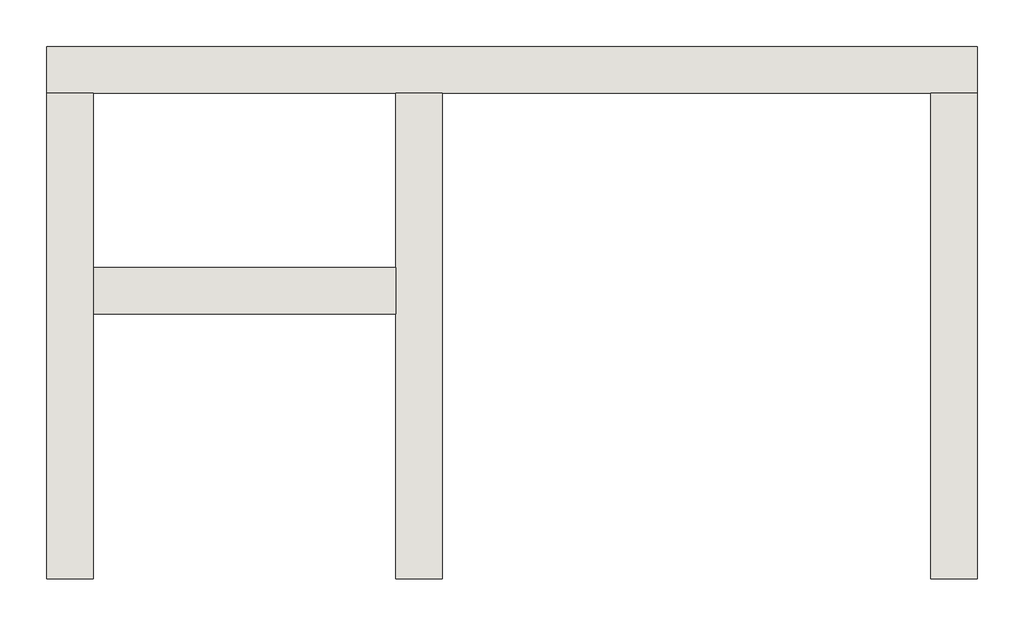
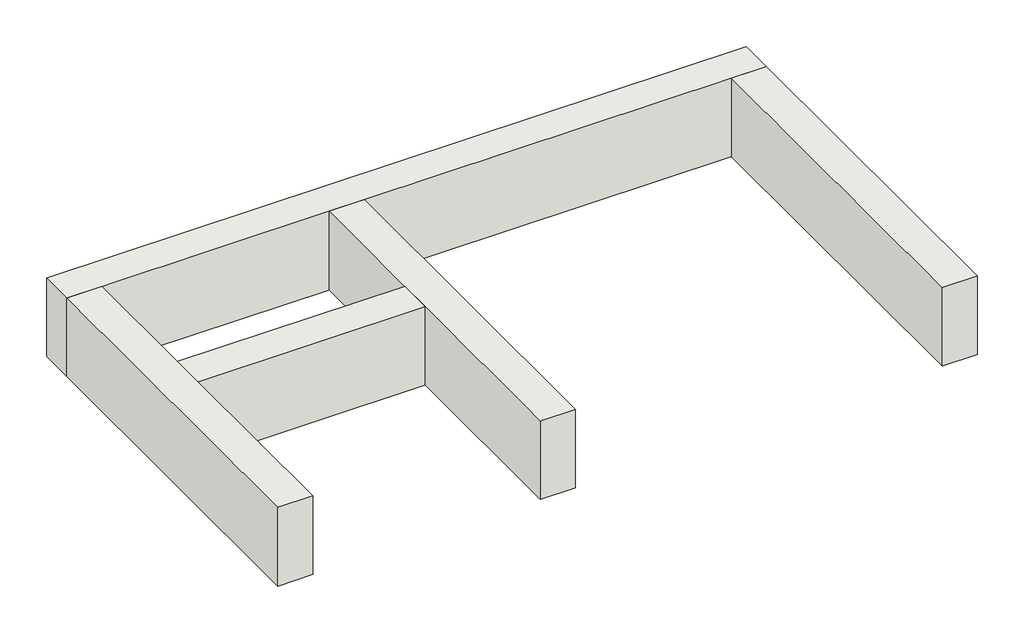
# One storey: 5 walls.
"""IFC4 building model written with IfcOpenShell, lengths in millimetres."""

from ifc_helpers import new_model, si_unit, frame, origin, place, context, project, spatial, polyline, outline, extrude, faceted_brep, element, save

model = new_model("IFC4")

# Units and contexts
model_context = context("Model", 3, world=origin())
ifc_project = project(units=[si_unit("LENGTHUNIT", "METRE", prefix="MILLI")], contexts=[model_context])

# Site, building, storey
site = spatial("IfcSite", under=ifc_project)
building = spatial("IfcBuilding", under=site)
storey = spatial("IfcBuildingStorey", under=building, Elevation=86050.0)

# Walls
placement = place(None, origin())
element("IfcWall", 1, at=placement, inside=storey, context=model_context, shape_type="Brep", body=[
    faceted_brep([(-3929.755681, 5252.3430585, 86050.0), (-3529.755681, 5252.3430585, 86050.0), (-929.755681, 5252.3430585, 86050.0), (-529.755681, 5252.3430585, 86050.0), (3670.244319, 5252.3430585, 86050.0), (4070.244319, 5252.3430585, 86050.0), (4070.244319, 5252.3430585, 87000.0), (3670.244319, 5252.3430585, 87000.0), (-529.755681, 5252.3430585, 87000.0), (-929.755681, 5252.3430585, 87000.0), (-3529.755681, 5252.3430585, 87000.0), (-3929.755681, 5252.3430585, 87000.0), (-3929.755681, 5652.3430585, 86050.0), (-3929.755681, 5652.3430585, 87000.0), (4070.244319, 5652.3430585, 87000.0), (4070.244319, 5652.3430585, 86050.0)], [[[0, 1, 2, 3, 4, 5, 6, 7, 8, 9, 10, 11]], [[12, 13, 14, 15]], [[5, 4, 3, 2, 1, 0, 12, 15]], [[11, 10, 9, 8, 7, 6, 14, 13]], [[0, 11, 13, 12]], [[6, 5, 15, 14]]]),
])
element("IfcWall", 2, at=placement, inside=storey, context=model_context, shape_type="SweptSolid", body=[
    extrude(outline(polyline([(-929.755681, 3352.3430585), (-3529.755681, 3352.3430585), (-3529.755681, 3752.3430585), (-929.755681, 3752.3430585), (-929.755681, 3352.3430585)])), frame((0.0, 0.0, 86050.0), z_axis=(0.0, 0.0, 1.0), x_axis=(1.0, 0.0, 0.0)), (0.0, 0.0, 1.0), 950.0),
])
element("IfcWall", 3, at=placement, inside=storey, context=model_context, shape_type="Brep", body=[
    faceted_brep([(-3929.755681, 5252.3430585, 86050.0), (-3929.755681, 1072.3430585, 86050.0), (-3929.755681, 1072.3430585, 87000.0), (-3929.755681, 5252.3430585, 87000.0), (-3529.755681, 5252.3430585, 86050.0), (-3529.755681, 5252.3430585, 87000.0), (-3529.755681, 3752.3430585, 87000.0), (-3529.755681, 3352.3430585, 87000.0), (-3529.755681, 1072.3430585, 87000.0), (-3529.755681, 1072.3430585, 86050.0), (-3529.755681, 3352.3430585, 86050.0), (-3529.755681, 3752.3430585, 86050.0)], [[[0, 1, 2, 3]], [[4, 5, 6, 7, 8, 9, 10, 11]], [[1, 0, 4, 11, 10, 9]], [[3, 2, 8, 7, 6, 5]], [[0, 3, 5, 4]], [[2, 1, 9, 8]]]),
])
element("IfcWall", 4, at=placement, inside=storey, context=model_context, shape_type="SweptSolid", body=[
    extrude(outline(polyline([(3670.244319, 1072.3430585), (3670.244319, 5252.3430585), (4070.244319, 5252.3430585), (4070.244319, 1072.3430585), (3670.244319, 1072.3430585)])), frame((0.0, 0.0, 86050.0), z_axis=(0.0, 0.0, 1.0), x_axis=(1.0, 0.0, 0.0)), (0.0, 0.0, 1.0), 950.0),
])
element("IfcWall", 5, at=placement, inside=storey, context=model_context, shape_type="Brep", body=[
    faceted_brep([(-529.755681, 1072.3430585, 86050.0), (-529.755681, 5252.3430585, 86050.0), (-529.755681, 5252.3430585, 87000.0), (-529.755681, 1072.3430585, 87000.0), (-929.755681, 1072.3430585, 86050.0), (-929.755681, 1072.3430585, 87000.0), (-929.755681, 3352.3430585, 87000.0), (-929.755681, 3752.3430585, 87000.0), (-929.755681, 5252.3430585, 87000.0), (-929.755681, 5252.3430585, 86050.0), (-929.755681, 3752.3430585, 86050.0), (-929.755681, 3352.3430585, 86050.0)], [[[0, 1, 2, 3]], [[4, 5, 6, 7, 8, 9, 10, 11]], [[1, 0, 4, 11, 10, 9]], [[3, 2, 8, 7, 6, 5]], [[2, 1, 9, 8]], [[0, 3, 5, 4]]]),
])

save(model, "model.ifc")
